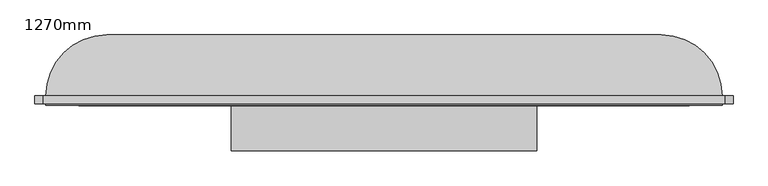
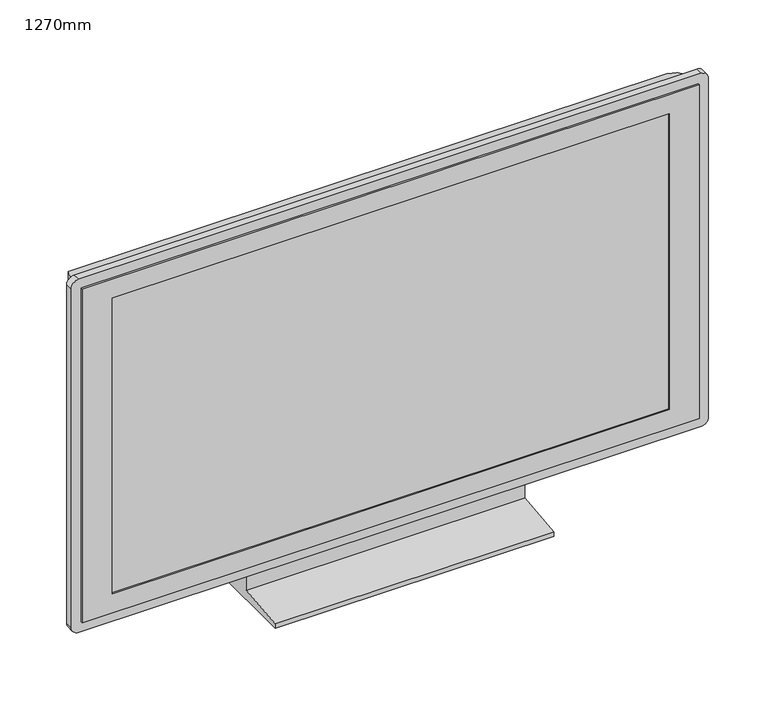
"""IFC4 building model written with IfcOpenShell, lengths in millimetres: furniture geometry, 1270mm."""

from ifc_helpers import new_model, si_unit, point, frame, frame_2d, origin, place, context, project, spatial, polyline, circle_curve, ellipse_curve, trimmed, segment, composite_curve, outline, extrude, faceted_brep, source, transform, mapped, element, save
from ifc_brep_helpers import plane_surface, cylinder_surface, advanced_brep


def furniture_1270mm_fdf74506(model_context):
    return source(origin(), model_context, "Body", "SolidModel", [
        extrude(outline(polyline([(-51.4613764, 80.0), (-1.4613764, 80.0), (48.5386236, 0.0), (-151.4613764, 0.0), (-151.4613764, 10.0), (-51.4613764, 20.0), (-51.4613764, 80.0)])), frame((-280.6636439, 0.0, 0.0), z_axis=(1.0, 0.0, 0.0), x_axis=(0.0, 1.0, 0.0)), (0.0, 0.0, 1.0), 553.4382596),
        faceted_brep([(609.4937454, -69.4613764, 782.6751733), (-617.3827737, -69.4613764, 782.6751733), (-617.3827737, -69.4613764, 80.0), (609.4937454, -69.4613764, 80.0), (-557.3827737, -69.4613764, 742.6751733), (549.4937454, -69.4613764, 742.6751733), (549.4937454, -69.4613764, 120.0), (-557.3827737, -69.4613764, 120.0), (609.4937454, -51.4613764, 782.6751733), (609.4937454, -51.4613764, 80.0), (-617.3827737, -51.4613764, 80.0), (-617.3827737, -51.4613764, 782.6751733), (-557.3827737, -66.4613764, 742.6751733), (-557.3827737, -66.4613764, 120.0), (549.4937454, -66.4613764, 120.0), (549.4937454, -66.4613764, 742.6751733)], [[[0, 1, 2, 3], [4, 5, 6, 7]], [[8, 9, 10, 11]], [[1, 0, 8, 11]], [[2, 1, 11, 10]], [[3, 2, 10, 9]], [[0, 3, 9, 8]], [[12, 13, 14, 15]], [[12, 15, 5, 4]], [[15, 14, 6, 5]], [[14, 13, 7, 6]], [[13, 12, 4, 7]]]),
        extrude(outline(composite_curve([segment(polyline([(802.6751733, 614.4937454), (802.6751733, -622.3827737)]), True, "CONTINUOUS"), segment(trimmed(circle_curve(frame_2d((787.6751733, -622.3827737)), 15.0), [point((802.6751733, -622.3827737))], [point((787.6751733, -637.3827737))], False, "CARTESIAN"), True, "CONTINUOUS"), segment(polyline([(787.6751733, -637.3827737), (75.0, -637.3827737)]), True, "CONTINUOUS"), segment(trimmed(circle_curve(frame_2d((75.0, -622.3827737)), 15.0), [point((75.0, -637.3827737))], [point((60.0, -622.3827737))], False, "CARTESIAN"), True, "CONTINUOUS"), segment(polyline([(60.0, -622.3827737), (60.0, 614.4937454)]), True, "CONTINUOUS"), segment(trimmed(circle_curve(frame_2d((75.0, 614.4937454)), 15.0), [point((60.0, 614.4937454))], [point((75.0, 629.4937454))], False, "CARTESIAN"), True, "CONTINUOUS"), segment(polyline([(75.0, 629.4937454), (787.6751733, 629.4937454)]), True, "CONTINUOUS"), segment(trimmed(circle_curve(frame_2d((787.6751733, 614.4937454)), 15.0), [point((787.6751733, 629.4937454))], [point((802.6751733, 614.4937454))], False, "CARTESIAN"), True, "CONTINUOUS")], self_intersect=False), holes=[polyline([(782.6751733, 609.4937454), (80.0, 609.4937454), (80.0, -617.3827737), (782.6751733, -617.3827737), (782.6751733, 609.4937454)])]), frame((0.0, -66.4613764, 0.0), z_axis=(0.0, 1.0, 0.0), x_axis=(0.0, 0.0, 1.0)), (0.0, 0.0, 1.0), 15.0),
        advanced_brep(
        [(-617.3827737, -51.4613764, 80.0), (609.4937454, -51.4613764, 80.0), (609.4937454, -51.4613764, 782.6751733), (-617.3827737, -51.4613764, 782.6751733), (499.4937454, 58.5386236, 80.0), (-507.3827737, 58.5386236, 80.0), (-507.3827737, 58.5386236, 672.6751733), (499.4937454, 58.5386236, 672.6751733)],
        [
            (0, 1),
            (1, 2),
            (2, 3),
            (3, 0),
            (4, 5),
            (5, 6),
            (6, 7),
            (7, 4),
            (0, 5, circle_curve(frame((-507.3827737, -51.4613764, 80.0), z_axis=(0.0, 0.0, -1.0), x_axis=(-1.0, 0.0, 0.0)), 110.0)),
            (4, 1, circle_curve(frame((499.4937454, -51.4613764, 80.0), z_axis=(0.0, 0.0, -1.0), x_axis=(1.0, 0.0, 0.0)), 110.0)),
            (7, 2, ellipse_curve(frame((499.4937454, -51.4613764, 672.6751733), z_axis=(0.7071067811865475, 0.0, -0.7071067811865475), x_axis=(0.7071067811865474, 0.0, 0.7071067811865476)), 155.5634919, 110.0)),
            (6, 3, ellipse_curve(frame((-507.3827737, -51.4613764, 672.6751733), z_axis=(0.7071067811865475, 0.0, 0.7071067811865475), x_axis=(-0.7071067811865476, 0.0, 0.7071067811865474)), 155.5634919, 110.0)),
        ],
        [
            plane_surface(frame((-617.3827737, -51.4613764, 782.6751733), z_axis=(0.0, -1.0, 0.0), x_axis=(-1.0, 0.0, 0.0))),
            plane_surface(frame((-617.3827737, 58.5386236, 782.6751733), z_axis=(0.0, 1.0, 0.0), x_axis=(1.0, 0.0, 0.0))),
            plane_surface(frame((-617.3827737, -51.4613764, 80.0), z_axis=(0.0, 0.0, -1.0), x_axis=(0.0, 1.0, 0.0))),
            cylinder_surface(frame((499.4937454, -51.4613764, 80.0), z_axis=(0.0, 0.0, 1.0), x_axis=(1.0, 0.0, 0.0)), 110.0),
            cylinder_surface(frame((609.4937454, -51.4613764, 672.6751733), z_axis=(-1.0, 0.0, 0.0), x_axis=(0.0, 0.0, 1.0)), 110.0),
            cylinder_surface(frame((-507.3827737, -51.4613764, 782.6751733), z_axis=(0.0, 0.0, -1.0), x_axis=(-1.0, 0.0, 0.0)), 110.0),
        ],
        [
            (0, [[1, 2, 3, 4]]),
            (1, [[5, 6, 7, 8]]),
            (2, [[-1, 9, -5, 10]]),
            (3, [[11, -2, -10, -8]]),
            (4, [[-11, -7, 12, -3]]),
            (5, [[-12, -6, -9, -4]]),
        ],
    ),
    ])


if __name__ == "__main__":
    model = new_model("IFC4")
    model_context = context("Model", 3, world=origin())
    ifc_project = project(units=[si_unit("LENGTHUNIT", "METRE", prefix="MILLI")], contexts=[model_context])
    site = spatial("IfcSite", under=ifc_project)
    building = spatial("IfcBuilding", under=site)
    placement = place(None, origin())
    furniture_1270mm_shape = furniture_1270mm_fdf74506(model_context)
    element("IfcFurniture", 1, ObjectType="1270mm", at=placement, inside=building, context=model_context, shape_type="MappedRepresentation", body=[
        mapped(furniture_1270mm_shape, transform((0.0, 0.0, 0.0), x_axis=(1.0, 0.0, 0.0), y_axis=(0.0, 1.0, 0.0), z_axis=(0.0, 0.0, 1.0))),
    ])
    save(model, "model.ifc")
